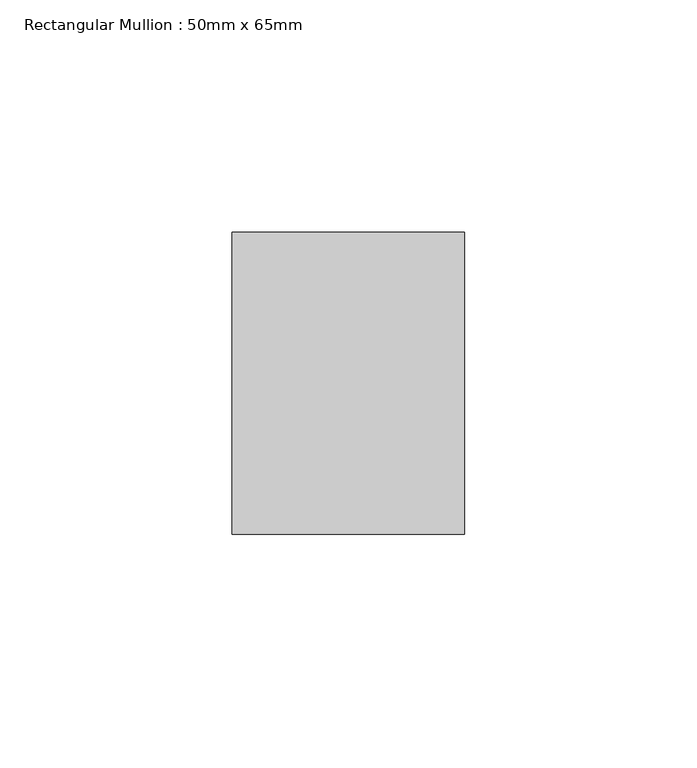
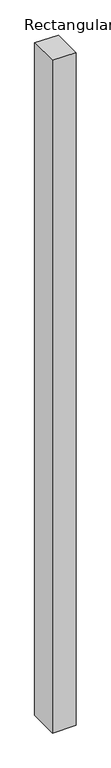
"""IFC4 building model written with IfcOpenShell, lengths in millimetres: member geometry, Rectangular Mullion : 50mm x 65mm."""

from ifc_helpers import new_model, si_unit, origin, place, context, project, spatial, faceted_brep, source, transform, mapped, element, save


def rectangular_mullion_50mm_x_65mm_c0863f8a(model_context):
    return source(origin(), model_context, "Body", "Brep", [
        faceted_brep([(-25.0, 32.5, -0.2027381), (25.0, 32.5, -0.2027384), (25.0, 32.5, -1499.8927255), (-25.0, 32.5, -1499.8927256), (-25.0, -32.5, 0.2027384), (-25.0, -32.5, -1500.107387), (25.0, -32.5, 0.2027381), (25.0, -32.5, -1500.1073869)], [[[0, 1, 2, 3]], [[4, 0, 3, 5]], [[6, 4, 5, 7]], [[1, 6, 7, 2]], [[1, 0, 4, 6]], [[2, 7, 5, 3]]]),
    ])


if __name__ == "__main__":
    model = new_model("IFC4")
    model_context = context("Model", 3, world=origin())
    ifc_project = project(units=[si_unit("LENGTHUNIT", "METRE", prefix="MILLI")], contexts=[model_context])
    site = spatial("IfcSite", under=ifc_project)
    building = spatial("IfcBuilding", under=site)
    placement = place(None, origin())
    rectangular_mullion_50mm_x_65mm_shape = rectangular_mullion_50mm_x_65mm_c0863f8a(model_context)
    element("IfcMember", 1, ObjectType="Rectangular Mullion : 50mm x 65mm", at=placement, inside=building, context=model_context, shape_type="MappedRepresentation", body=[
        mapped(rectangular_mullion_50mm_x_65mm_shape, transform((0.0, 0.0, 0.0), x_axis=(1.0, 0.0, 0.0), y_axis=(0.0, 1.0, 0.0), z_axis=(0.0, 0.0, 1.0))),
    ])
    save(model, "model.ifc")
